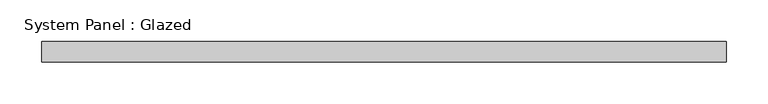
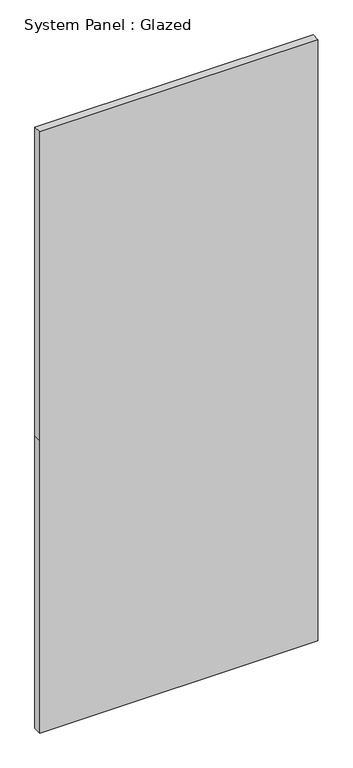
"""IFC4 building model written with IfcOpenShell, lengths in millimetres: plate geometry, System Panel : Glazed."""

import ifcopenshell
import ifcopenshell.guid

model = None  # the IFC model being written
_history = None  # IfcOwnerHistory: only IFC2X3 demands one
_inside = {}  # id of a spatial element -> (the spatial element, [elements in it])
_under = {}  # id of a project, library or spatial element -> (it, [spatial elements below it])
_declared = {}  # id of a project -> (the project, [libraries it declares])
_typed = {}  # id of a type object -> (the type object, [elements of that type])
_made_of = {}  # id of a material, layer set ... -> (it, [elements and type objects made of it])


def new_model(schema):
    """Start an empty IFC model of exactly this schema.

    Asked for "IFC4X3", IfcOpenShell would pick the latest addendum, in which some entities
    have other attributes; the version numbers below select the first issue.
    IFC2X3 requires an IfcOwnerHistory on every rooted entity: one is made here for all.
    """
    global model, _history
    if schema == "IFC4X3":
        model = ifcopenshell.file(schema_version=(4, 3, 0, 0))
    else:
        model = ifcopenshell.file(schema=schema)
    _inside.clear()
    _under.clear()
    _declared.clear()
    _typed.clear()
    _made_of.clear()
    _history = None
    if model.schema == "IFC2X3":
        org = make("IfcOrganization", Name="unknown")
        user = make(
            "IfcPersonAndOrganization",
            ThePerson=make("IfcPerson", FamilyName="unknown"),
            TheOrganization=org,
        )
        app = make(
            "IfcApplication",
            ApplicationDeveloper=org,
            Version="unknown",
            ApplicationFullName="unknown",
            ApplicationIdentifier="unknown",
        )
        _history = make(
            "IfcOwnerHistory",
            OwningUser=user,
            OwningApplication=app,
            ChangeAction="ADDED",
            CreationDate=0,
        )
    return model


def make(cls, **values):
    """One entity of the class cls with the attributes given. An attribute that is None is left unset."""
    return model.create_entity(
        cls, **{name: value for name, value in values.items() if value is not None}
    )


def rooted(cls, **values):
    """An entity with a GlobalId (a new one), such as an element, a storey or a relation."""
    return make(cls, GlobalId=ifcopenshell.guid.new(), OwnerHistory=_history, **values)


def si_unit(unit_type, name, prefix=None):
    """IfcSIUnit, for example si_unit("LENGTHUNIT", "METRE", prefix="MILLI")."""
    return make("IfcSIUnit", UnitType=unit_type, Prefix=prefix, Name=name)


def assignment(units):
    """IfcUnitAssignment: the units of a project."""
    return None if units is None else make("IfcUnitAssignment", Units=units)


def point(xyz):
    """IfcCartesianPoint."""
    return None if xyz is None else make("IfcCartesianPoint", Coordinates=xyz)


def direction(xyz):
    """IfcDirection."""
    return None if xyz is None else make("IfcDirection", DirectionRatios=xyz)


def frame(location, z_axis=None, x_axis=None):
    """IfcAxis2Placement3D, a coordinate frame: its origin and axes. An axis left out is left unset."""
    return make(
        "IfcAxis2Placement3D",
        Location=point(location),
        Axis=direction(z_axis),
        RefDirection=direction(x_axis),
    )


def origin():
    """The frame at (0, 0, 0) with its axes left unset."""
    return frame((0.0, 0.0, 0.0))


def place(relative_to, where):
    """IfcLocalPlacement: puts the frame where relative to a parent placement (None: the world)."""
    return make(
        "IfcLocalPlacement", PlacementRelTo=relative_to, RelativePlacement=where
    )


def context(
    kind, dimensions, precision=None, world=None, true_north=None, identifier=None
):
    """IfcGeometricRepresentationContext, for example the 3D "Model" context."""
    return make(
        "IfcGeometricRepresentationContext",
        ContextIdentifier=identifier,
        ContextType=kind,
        CoordinateSpaceDimension=dimensions,
        Precision=precision,
        WorldCoordinateSystem=world,
        TrueNorth=true_north,
    )


def project(units=None, contexts=None):
    """IfcProject with its units and contexts."""
    return rooted(
        "IfcProject",
        Name="project",
        RepresentationContexts=contexts,
        UnitsInContext=assignment(units),
    )


def spatial(cls, under=None, at=None, **own):
    """A site, building, storey or space (cls), placed at a placement, below another one or the project."""
    s = rooted(cls, ObjectPlacement=at, **own)
    if under is not None:
        _under.setdefault(under.id(), (under, []))[1].append(s)
    return s


def polyline(points):
    """IfcPolyline through the points."""
    return make("IfcPolyline", Points=[point(p) for p in points])


def outline(outer, holes=None, kind="AREA"):
    """IfcArbitraryClosedProfileDef: a profile drawn as a closed curve; with holes, ...WithVoids."""
    if holes is None:
        return make("IfcArbitraryClosedProfileDef", ProfileType=kind, OuterCurve=outer)
    return make(
        "IfcArbitraryProfileDefWithVoids",
        ProfileType=kind,
        OuterCurve=outer,
        InnerCurves=holes,
    )


def extrude(swept, where, along, depth):
    """IfcExtrudedAreaSolid: the profile swept, set in the frame where, extruded along a direction by depth."""
    return make(
        "IfcExtrudedAreaSolid",
        SweptArea=swept,
        Position=where,
        ExtrudedDirection=direction(along),
        Depth=depth,
    )


def shape(context_of_items, identifier, shape_type, items):
    """IfcShapeRepresentation: the items that make up one representation, for example the "Body"."""
    return make(
        "IfcShapeRepresentation",
        ContextOfItems=context_of_items,
        RepresentationIdentifier=identifier,
        RepresentationType=shape_type,
        Items=items,
    )


def source(mapping_origin, context_of_items, identifier, shape_type, items):
    """IfcRepresentationMap: a shape defined once, which mapped items show again and again."""
    return make(
        "IfcRepresentationMap",
        MappingOrigin=mapping_origin,
        MappedRepresentation=shape(context_of_items, identifier, shape_type, items),
    )


def transform(
    local_origin,
    x_axis=None,
    y_axis=None,
    z_axis=None,
    scale=None,
    scale2=None,
    scale3=None,
    uniform=True,
):
    """IfcCartesianTransformationOperator3D, or its non-uniform kind. x_axis, y_axis, z_axis: its Axis1, 2, 3."""
    if uniform:
        return make(
            "IfcCartesianTransformationOperator3D",
            Axis1=direction(x_axis),
            Axis2=direction(y_axis),
            LocalOrigin=point(local_origin),
            Scale=scale,
            Axis3=direction(z_axis),
        )
    return make(
        "IfcCartesianTransformationOperator3DnonUniform",
        Axis1=direction(x_axis),
        Axis2=direction(y_axis),
        LocalOrigin=point(local_origin),
        Scale=scale,
        Axis3=direction(z_axis),
        Scale2=scale2,
        Scale3=scale3,
    )


def mapped(mapping_source, mapping_target):
    """IfcMappedItem: shows the shape of a source again, moved by a transform."""
    return make(
        "IfcMappedItem", MappingSource=mapping_source, MappingTarget=mapping_target
    )


def made_of(thing, what):
    """Note that an element or type object is made of a material, layer set ...; save() writes the relation."""
    if what is not None:
        _made_of.setdefault(what.id(), (what, []))[1].append(thing)
    return thing


def element(
    cls,
    number,
    at=None,
    inside=None,
    cuts=None,
    type_object=None,
    material=None,
    context=None,
    identifier="Body",
    shape_type=None,
    held_by="IfcProductDefinitionShape",
    body=None,
    shapes=None,
    **own,
):
    """One element of the class cls, such as IfcWall. Its Tag is "e" and its number.

    at: its placement. inside: the storey or other place that contains it. cuts: it is an
    opening in that element (IfcRelVoidsElement). A single representation is given by context,
    identifier, shape_type and body (its items); several are given by shapes. held_by: the class
    of the entity that holds the representations. save() writes the other relations.
    """
    e = rooted(cls, Tag="e%d" % number, ObjectPlacement=at, **own)
    if body is not None:
        shapes = [shape(context, identifier, shape_type, body)]
    if shapes is not None:
        e.Representation = make(held_by, Representations=shapes)
    if inside is not None:
        _inside.setdefault(inside.id(), (inside, []))[1].append(e)
    if cuts is not None:
        rooted(
            "IfcRelVoidsElement", RelatingBuildingElement=cuts, RelatedOpeningElement=e
        )
    if type_object is not None:
        _typed.setdefault(type_object.id(), (type_object, []))[1].append(e)
    return made_of(e, material)


def aggregate(whole, parts):
    """IfcRelAggregates: a whole, such as a stair, and the parts it consists of."""
    return rooted("IfcRelAggregates", RelatingObject=whole, RelatedObjects=parts)


def save(model, path):
    """Write the relations noted so far, then the file.

    IfcRelAggregates (storeys below a building ...), IfcRelContainedInSpatialStructure (elements
    in a storey), IfcRelDefinesByType, IfcRelAssociatesMaterial and IfcRelDeclares: one each for
    every whole, place, type object, material and project.
    """
    for whole, parts in _under.values():
        aggregate(whole, parts)
    for where, things in _inside.values():
        rooted(
            "IfcRelContainedInSpatialStructure",
            RelatedElements=things,
            RelatingStructure=where,
        )
    for kind, things in _typed.values():
        rooted("IfcRelDefinesByType", RelatedObjects=things, RelatingType=kind)
    for what, things in _made_of.values():
        rooted("IfcRelAssociatesMaterial", RelatedObjects=things, RelatingMaterial=what)
    for by, libraries in _declared.values():
        rooted("IfcRelDeclares", RelatingContext=by, RelatedDefinitions=libraries)
    model.write(path)


def system_panel_glazed_93896db3(model_context):
    return source(origin(), model_context, "Body", "SweptSolid", [
        extrude(outline(polyline([(0.0, -412.5), (0.0, 412.5), (916.6666667, 412.5), (1885.0, 412.5), (1885.0, -412.5), (916.6666667, -412.5), (0.0, -412.5)])), frame((0.0, -49.5, 0.0), z_axis=(0.0, 1.0, 0.0), x_axis=(0.0, 0.0, 1.0)), (0.0, 0.0, 1.0), 25.0),
    ])


if __name__ == "__main__":
    model = new_model("IFC4")
    model_context = context("Model", 3, world=origin())
    ifc_project = project(units=[si_unit("LENGTHUNIT", "METRE", prefix="MILLI")], contexts=[model_context])
    site = spatial("IfcSite", under=ifc_project)
    building = spatial("IfcBuilding", under=site)
    placement = place(None, origin())
    system_panel_glazed_shape = system_panel_glazed_93896db3(model_context)
    element("IfcPlate", 1, ObjectType="System Panel : Glazed", at=placement, inside=building, context=model_context, shape_type="MappedRepresentation", body=[
        mapped(system_panel_glazed_shape, transform((0.0, 0.0, 0.0), x_axis=(1.0, 0.0, 0.0), y_axis=(0.0, 1.0, 0.0), z_axis=(0.0, 0.0, 1.0))),
    ])
    save(model, "model.ifc")
